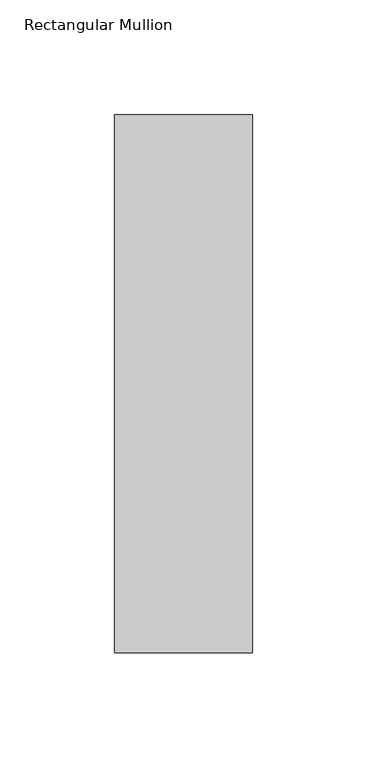
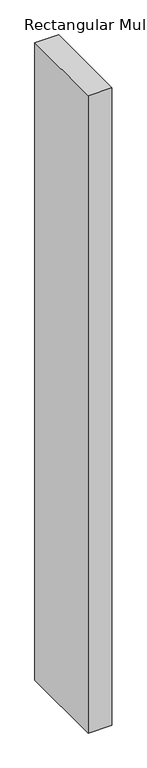
"""IFC4 building model written with IfcOpenShell, lengths in millimetres: member geometry, Rectangular Mullion."""

from ifc_helpers import new_model, si_unit, frame, origin, place, context, project, spatial, polyline, outline, extrude, source, transform, mapped, element, save


def rectangular_mullion_20a04ad8(model_context):
    return source(origin(), model_context, "Body", "SweptSolid", [
        extrude(outline(polyline([(30.0, 182.60625), (30.0, -51.60625), (-30.0, -51.60625), (-30.0, 182.60625), (30.0, 182.60625)])), frame((0.0, 0.0, -1708.8912252), z_axis=(0.0, 0.0, 1.0), x_axis=(1.0, 0.0, 0.0)), (0.0, 0.0, 1.0), 1708.8912252),
    ])


if __name__ == "__main__":
    model = new_model("IFC4")
    model_context = context("Model", 3, world=origin())
    ifc_project = project(units=[si_unit("LENGTHUNIT", "METRE", prefix="MILLI")], contexts=[model_context])
    site = spatial("IfcSite", under=ifc_project)
    building = spatial("IfcBuilding", under=site)
    placement = place(None, origin())
    rectangular_mullion_shape = rectangular_mullion_20a04ad8(model_context)
    element("IfcMember", 1, ObjectType="Rectangular Mullion", at=placement, inside=building, context=model_context, shape_type="MappedRepresentation", body=[
        mapped(rectangular_mullion_shape, transform((0.0, 0.0, 0.0), x_axis=(1.0, 0.0, 0.0), y_axis=(0.0, 1.0, 0.0), z_axis=(0.0, 0.0, 1.0))),
    ])
    save(model, "model.ifc")
